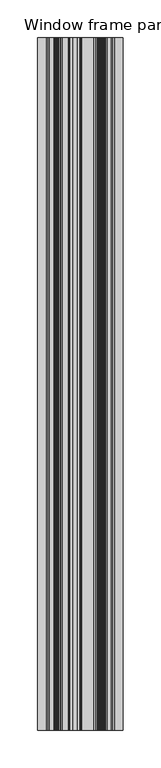
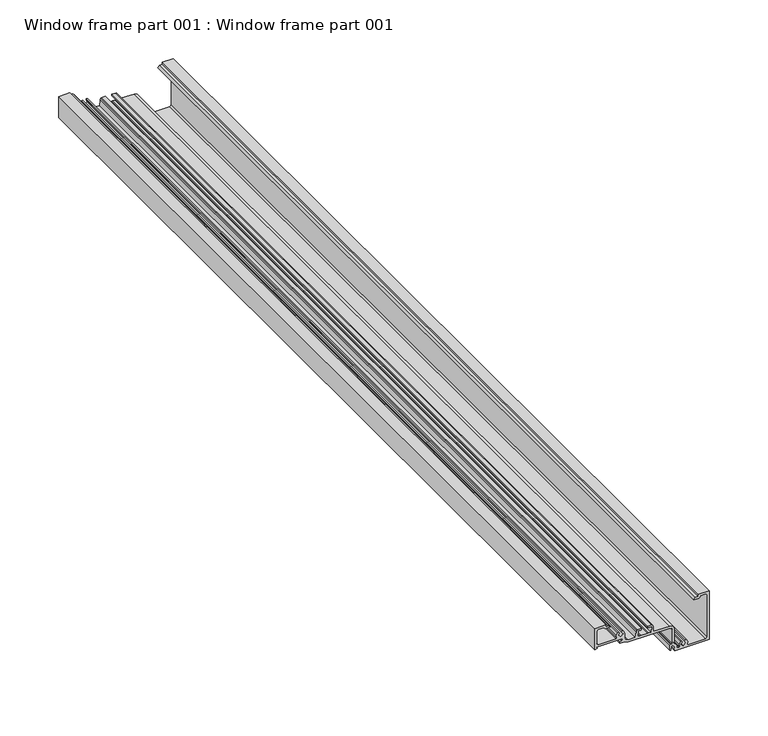
"""IFC4 building model written with IfcOpenShell, lengths in millimetres: proxy geometry, Window frame part 001 : Window frame part 001."""

from ifc_helpers import new_model, si_unit, frame, origin, place, context, project, spatial, polyline, outline, extrude, source, transform, mapped, element, save


def window_frame_part_001_window_frame_part_001_dba92fb8(model_context):
    return source(origin(), model_context, "Body", "SweptSolid", [
        extrude(outline(polyline([(2930.8552, 37543.3983343), (2931.2362001, 37545.9498252), (2932.8872, 37544.9966199), (2932.8872, 37570.1646547), (2931.6934, 37571.3584547), (2930.4996, 37570.1646547), (2930.4996, 37568.1834547), (2928.9248, 37568.1834547), (2928.9248, 37572.9179044), (2927.35, 37576.5400547), (2927.35, 37617.4011073), (2926.6060512, 37619.1971585), (2924.81, 37619.9411073), (2910.4335995, 37619.9411073), (2909.7859, 37619.3062343), (2910.3447, 37618.3664343), (2909.379373, 37617.4011073), (2904.2487, 37617.4011073), (2903.7407, 37618.6457073), (2904.5535, 37618.4171073), (2905.5187, 37618.4171073), (2908.5159, 37619.4839073), (2908.5159, 37620.5494373), (2906.37468, 37622.4290373), (2904.5535, 37621.6924373), (2901.95, 37622.6076069), (2901.95, 37656.4790073), (2952.75, 37656.4790073), (2952.75, 37645.5264547), (2950.718, 37645.5264547), (2950.718, 37642.7832547), (2948.686, 37641.2084547), (2948.686, 37645.9836547), (2949.1472482, 37647.0972064), (2950.718, 37647.5584547), (2950.718, 37652.9230073), (2949.194, 37654.4470073), (2905.506, 37654.4470073), (2903.982, 37652.9230073), (2903.982, 37635.0609457), (2904.7544072, 37634.6126172), (2907.402774, 37635.0497715), (2909.7732, 37633.7903941), (2909.7732, 37632.6736709), (2908.6905159, 37632.3139439), (2906.7252002, 37633.3269071), (2904.3122003, 37630.9139072), (2906.7252002, 37628.5009073), (2909.0243912, 37629.5864685), (2909.7732, 37629.1541435), (2909.7732, 37628.0374203), (2907.402774, 37626.7780428), (2904.7544072, 37627.2151971), (2903.982, 37626.7668686), (2904.49, 37624.4610373), (2906.37468, 37624.4610373), (2908.2606859, 37623.6784773), (2910.2289489, 37621.973105), (2925.0640373, 37621.973105), (2928.1172871, 37620.7083921), (2929.382, 37617.6551051), (2929.89, 37601.2721073), (2935.097, 37601.2721073), (2936.3542359, 37600.7513432), (2936.875, 37599.4941073), (2936.875, 37595.9127073), (2935.2113, 37595.9127073), (2935.605, 37597.0811073), (2935.224, 37599.4941073), (2929.382, 37599.1131073), (2929.7692459, 37596.7000542), (2929.382, 37595.9127073), (2929.7757, 37589.5627073), (2929.382, 37588.3943073), (2929.763, 37585.9813073), (2935.605, 37586.3623073), (2935.2177541, 37588.7753601), (2935.2113, 37589.5627073), (2936.875, 37589.5627073), (2936.875, 37585.9813073), (2936.3542359, 37584.7240714), (2935.097, 37584.2033073), (2929.382, 37583.6953073), (2929.382, 37576.3622547), (2930.311936, 37574.1171906), (2932.557, 37573.1872547), (2937.6624001, 37573.1872547), (2940.7104, 37571.8727417), (2940.7104, 37570.7560185), (2939.6277159, 37570.3962915), (2937.6624002, 37571.4092547), (2935.2494003, 37568.9962548), (2937.6624002, 37566.5832549), (2939.9615912, 37567.6688161), (2940.7104, 37567.2364911), (2940.7104, 37566.1197679), (2938.3272227, 37564.8583215), (2935.6688434, 37565.3097642), (2934.9192, 37564.862917), (2934.9192, 37546.9543343), (2936.4432, 37545.4303343), (2949.194, 37545.4303343), (2950.718, 37546.9543343), (2950.2608, 37552.3084547), (2948.686, 37553.8832547), (2949.1432, 37558.6584547), (2950.718, 37557.0836547), (2950.718, 37554.3404547), (2952.75, 37554.3404547), (2952.75, 37543.3983343), (2930.8552, 37543.3983343)])), frame((0.0, -19576.8264269, 0.0), z_axis=(0.0, 1.0, 0.0), x_axis=(0.0, 0.0, 1.0)), (0.0, 0.0, 1.0), 914.4),
    ])


if __name__ == "__main__":
    model = new_model("IFC4")
    model_context = context("Model", 3, world=origin())
    ifc_project = project(units=[si_unit("LENGTHUNIT", "METRE", prefix="MILLI")], contexts=[model_context])
    site = spatial("IfcSite", under=ifc_project)
    building = spatial("IfcBuilding", under=site)
    placement = place(None, origin())
    window_frame_part_001_window_frame_part_001_shape = window_frame_part_001_window_frame_part_001_dba92fb8(model_context)
    element("IfcBuildingElementProxy", 1, Name="Window frame part 001 : Window frame part 001", ObjectType="Window frame part 001 : Window frame part 001", at=placement, inside=building, context=model_context, shape_type="MappedRepresentation", body=[
        mapped(window_frame_part_001_window_frame_part_001_shape, transform((0.0, 0.0, 0.0), x_axis=(1.0, 0.0, 0.0), y_axis=(0.0, 1.0, 0.0), z_axis=(0.0, 0.0, 1.0))),
    ])
    save(model, "model.ifc")
